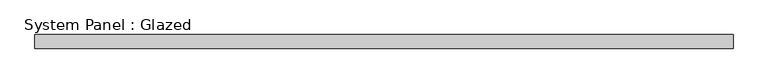
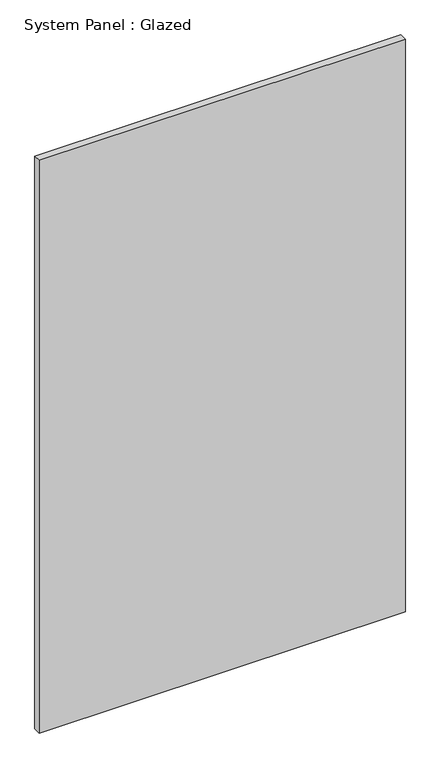
"""IFC4 building model written with IfcOpenShell, lengths in millimetres: plate geometry, System Panel : Glazed."""

from ifc_helpers import new_model, si_unit, origin, origin_with_axes, place, context, project, spatial, polyline, outline, extrude, source, transform, mapped, element, save


def system_panel_glazed_1e65355b(model_context):
    return source(origin(), model_context, "Body", "SweptSolid", [
        extrude(outline(polyline([(634.20625, 19.05), (-634.20625, 19.05), (-634.20625, 44.45), (634.20625, 44.45), (634.20625, 19.05)])), origin_with_axes(), (0.0, 0.0, 1.0), 2095.5),
    ])


if __name__ == "__main__":
    model = new_model("IFC4")
    model_context = context("Model", 3, world=origin())
    ifc_project = project(units=[si_unit("LENGTHUNIT", "METRE", prefix="MILLI")], contexts=[model_context])
    site = spatial("IfcSite", under=ifc_project)
    building = spatial("IfcBuilding", under=site)
    placement = place(None, origin())
    system_panel_glazed_shape = system_panel_glazed_1e65355b(model_context)
    element("IfcPlate", 1, ObjectType="System Panel : Glazed", at=placement, inside=building, context=model_context, shape_type="MappedRepresentation", body=[
        mapped(system_panel_glazed_shape, transform((0.0, 0.0, 0.0), x_axis=(1.0, 0.0, 0.0), y_axis=(0.0, 1.0, 0.0), z_axis=(0.0, 0.0, 1.0))),
    ])
    save(model, "model.ifc")
